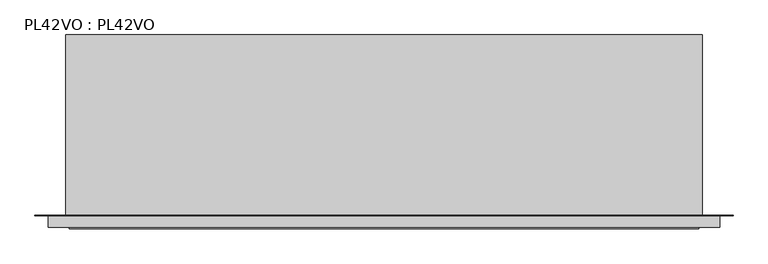
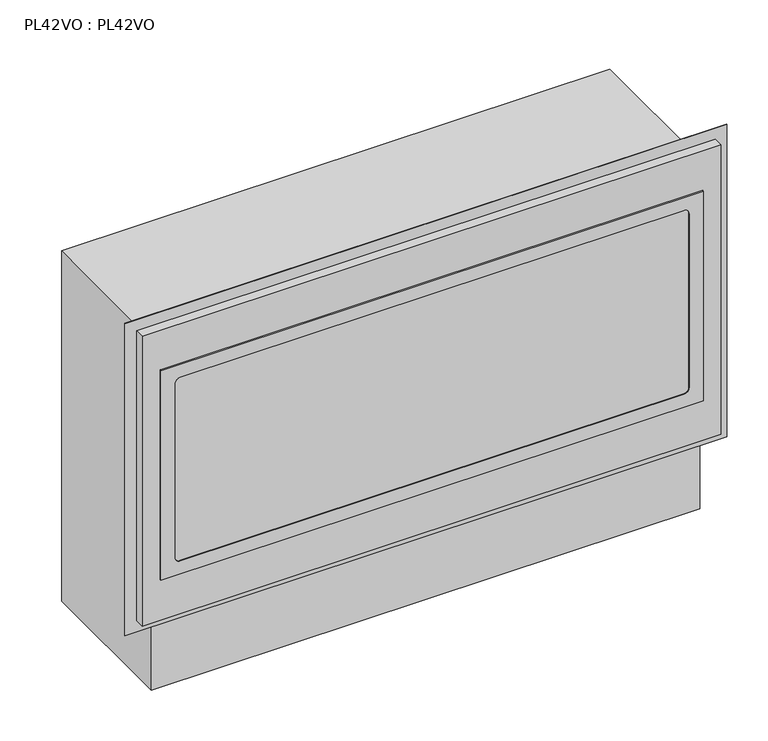
"""IFC4 building model written with IfcOpenShell, lengths in millimetres: proxy geometry, PL42VO : PL42VO."""

from ifc_helpers import new_model, si_unit, frame, origin, origin_with_axes, place, context, project, spatial, polyline, circle_curve, outline, extrude, source, transform, mapped, element, save
from ifc_brep_helpers import plane_surface, revolved_surface, advanced_brep


def pl42vo_pl42vo_39694e5e(model_context):
    return source(origin(), model_context, "Body", "SolidModel", [
        advanced_brep(
        [(500.0625253, -17.6783991, 633.8981441), (-500.0625253, -17.6783991, 633.8981441), (-500.0625253, -20.1929999, 633.8981441), (500.0625253, -20.1929999, 633.8981441), (500.0625253, -17.6783991, 225.1613638), (500.0625253, -20.1929999, 225.1613638), (-500.0625253, -20.1929999, 225.1613638), (-500.0625253, -17.6783991, 225.1613638), (464.094077, -20.1929999, 250.5613766), (-464.072723, -20.1929999, 250.5613766), (-473.6084, -20.1929999, 260.0863706), (-473.6084044, -20.1929999, 598.9731706), (-464.0967751, -20.1929999, 608.4981612), (464.0967751, -20.1929999, 608.4981612), (473.6084, -20.1929999, 598.9731706), (473.6084044, -20.1929999, 260.0863627), (-464.072723, -18.4911997, 250.5613766), (464.094077, -18.4911997, 250.5613766), (473.6084, -18.4911997, 260.0863706), (473.6084044, -18.4911997, 598.9731706), (464.0967751, -18.4911997, 608.4981612), (-464.0967751, -18.4911997, 608.4981612), (-473.6084, -18.4911997, 598.9731706), (-473.6084044, -18.4911997, 260.0863627)],
        [
            (0, 1),
            (1, 2),
            (2, 3),
            (3, 0),
            (4, 5),
            (5, 6),
            (6, 7),
            (7, 4),
            (0, 4),
            (7, 1),
            (6, 2),
            (5, 3),
            (8, 9),
            (9, 10, circle_curve(frame((-464.0834, -20.1929999, 260.0863706), z_axis=(0.0, 1.0, 0.0), x_axis=(1.0, 0.0, 0.0)), 9.525)),
            (10, 11),
            (11, 12, circle_curve(frame((-464.0834, -20.1929999, 598.9731706), z_axis=(0.0, 1.0, 0.0), x_axis=(1.0, 0.0, 0.0)), 9.525)),
            (12, 13),
            (13, 14, circle_curve(frame((464.0834, -20.1929999, 598.9731706), z_axis=(0.0, 1.0, 0.0), x_axis=(1.0, 0.0, 0.0)), 9.525)),
            (14, 15),
            (15, 8, circle_curve(frame((464.0834, -20.1929999, 260.0863706), z_axis=(0.0, 1.0, 0.0), x_axis=(1.0, 0.0, 0.0)), 9.525)),
            (16, 17),
            (17, 18, circle_curve(frame((464.0834, -18.4911997, 260.0863706), z_axis=(0.0, -1.0, 0.0), x_axis=(1.0, 0.0, 0.0)), 9.525)),
            (18, 19),
            (19, 20, circle_curve(frame((464.0834, -18.4911997, 598.9731706), z_axis=(0.0, -1.0, 0.0), x_axis=(1.0, 0.0, 0.0)), 9.525)),
            (20, 21),
            (21, 22, circle_curve(frame((-464.0834, -18.4911997, 598.9731706), z_axis=(0.0, -1.0, 0.0), x_axis=(1.0, 0.0, 0.0)), 9.525)),
            (22, 23),
            (23, 16, circle_curve(frame((-464.0834, -18.4911997, 260.0863706), z_axis=(0.0, -1.0, 0.0), x_axis=(1.0, 0.0, 0.0)), 9.525)),
            (16, 9),
            (8, 17),
            (15, 18),
            (14, 19),
            (13, 20),
            (12, 21),
            (11, 22),
            (10, 23),
        ],
        [
            plane_surface(frame((-499.4990164, -17.6783991, 633.8981441), z_axis=(0.0, 0.0, 1.0), x_axis=(-1.0, 0.0, 0.0))),
            plane_surface(frame((-499.4990164, -17.6783991, 225.1613638), z_axis=(0.0, 0.0, -1.0), x_axis=(1.0, 0.0, 0.0))),
            plane_surface(frame((500.0625253, -17.6783991, 633.8981441), z_axis=(0.0, 1.0, 0.0), x_axis=(0.0, 0.0, -1.0))),
            plane_surface(frame((-500.0625253, -17.6783991, 633.8981441), z_axis=(-1.0, 0.0, 0.0), x_axis=(0.0, 0.0, -1.0))),
            plane_surface(frame((-500.0625253, -20.1929999, 633.8981441), z_axis=(0.0, -1.0, 0.0), x_axis=(0.0, 0.0, -1.0))),
            plane_surface(frame((500.0625253, -20.1929999, 633.8981441), z_axis=(1.0, 0.0, 0.0), x_axis=(0.0, 0.0, -1.0))),
            plane_surface(frame((-464.0834033, -18.4911997, 250.5613766), z_axis=(0.0, -1.0, 0.0), x_axis=(-1.0, 0.0, 0.0))),
            plane_surface(frame((-464.072723, -20.1929999, 250.5613766), z_axis=(0.0, 0.0, 1.0), x_axis=(0.0, 1.0, 0.0))),
            revolved_surface(polyline([(473.60839999999996, -20.1929999, 260.0863706), (473.60839999999996, -18.4911997, 260.0863706)]), (464.0834, -18.4911997, 260.0863706), (0.0, -1.0, 0.0)),
            plane_surface(frame((473.6084044, -20.1929999, 260.0863627), z_axis=(-1.0, 0.0, 0.0), x_axis=(0.0, 1.0, 0.0))),
            revolved_surface(polyline([(473.60839999999996, -20.1929999, 598.9731706), (473.60839999999996, -18.4911997, 598.9731706)]), (464.0834, -18.4911997, 598.9731706), (0.0, -1.0, 0.0)),
            plane_surface(frame((464.0967751, -20.1929999, 608.4981612), z_axis=(0.0, 0.0, -1.0), x_axis=(0.0, 1.0, 0.0))),
            revolved_surface(polyline([(-454.5584, -20.1929999, 598.9731706), (-454.5584, -18.4911997, 598.9731706)]), (-464.0834, -18.4911997, 598.9731706), (0.0, -1.0, 0.0)),
            plane_surface(frame((-473.6084044, -20.1929999, 598.9731706), z_axis=(1.0, 0.0, 0.0), x_axis=(0.0, 1.0, 0.0))),
            revolved_surface(polyline([(-454.5584, -20.1929999, 260.0863706), (-454.5584, -18.4911997, 260.0863706)]), (-464.0834, -18.4911997, 260.0863706), (0.0, -1.0, 0.0)),
        ],
        [
            (0, [[1, 2, 3, 4]]),
            (1, [[5, 6, 7, 8]]),
            (2, [[-1, 9, -8, 10]]),
            (3, [[-2, -10, -7, 11]]),
            (4, [[-3, -11, -6, 12], [13, 14, 15, 16, 17, 18, 19, 20]]),
            (5, [[-4, -12, -5, -9]]),
            (6, [[21, 22, 23, 24, 25, 26, 27, 28]]),
            (7, [[-21, 29, -13, 30]]),
            (8, [[-22, -30, -20, 31]]),
            (9, [[-23, -31, -19, 32]]),
            (10, [[-24, -32, -18, 33]]),
            (11, [[-25, -33, -17, 34]]),
            (12, [[-26, -34, -16, 35]]),
            (13, [[-27, -35, -15, 36]]),
            (14, [[-28, -36, -14, -29]]),
        ],
    ),
        extrude(outline(polyline([(533.3999991, 0.0), (533.3999991, -17.6783991), (-533.3999991, -17.6783991), (-533.3999991, 0.0), (533.3999991, 0.0)])), frame((0.0, 0.0, 146.3547996), z_axis=(0.0, 0.0, 1.0), x_axis=(1.0, 0.0, 0.0)), (0.0, 0.0, 1.0), 564.8452044),
        extrude(outline(polyline([(554.7106266, 0.9144), (554.7106266, 0.0), (-554.7106266, 0.0), (-554.7106266, 0.9144), (554.7106266, 0.9144)])), frame((0.0, 0.0, 124.1297997), z_axis=(0.0, 0.0, 1.0), x_axis=(1.0, 0.0, 0.0)), (0.0, 0.0, 1.0), 608.3807722),
        extrude(outline(polyline([(505.3076148, 287.5787965), (505.3076148, 0.9144), (-505.3076148, 0.9144), (-505.3076148, 287.5787965), (505.3076148, 287.5787965)])), origin_with_axes(), (0.0, 0.0, 1.0), 682.625),
    ])


if __name__ == "__main__":
    model = new_model("IFC4")
    model_context = context("Model", 3, world=origin())
    ifc_project = project(units=[si_unit("LENGTHUNIT", "METRE", prefix="MILLI")], contexts=[model_context])
    site = spatial("IfcSite", under=ifc_project)
    building = spatial("IfcBuilding", under=site)
    placement = place(None, origin())
    pl42vo_pl42vo_shape = pl42vo_pl42vo_39694e5e(model_context)
    element("IfcBuildingElementProxy", 1, Name="PL42VO : PL42VO", ObjectType="PL42VO : PL42VO", at=placement, inside=building, context=model_context, shape_type="MappedRepresentation", body=[
        mapped(pl42vo_pl42vo_shape, transform((0.0, 0.0, 0.0), x_axis=(1.0, 0.0, 0.0), y_axis=(0.0, 1.0, 0.0), z_axis=(0.0, 0.0, 1.0))),
    ])
    save(model, "model.ifc")
